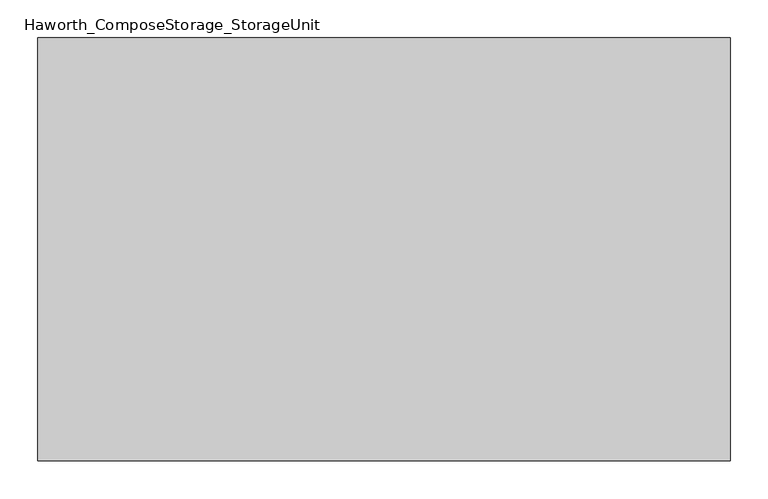
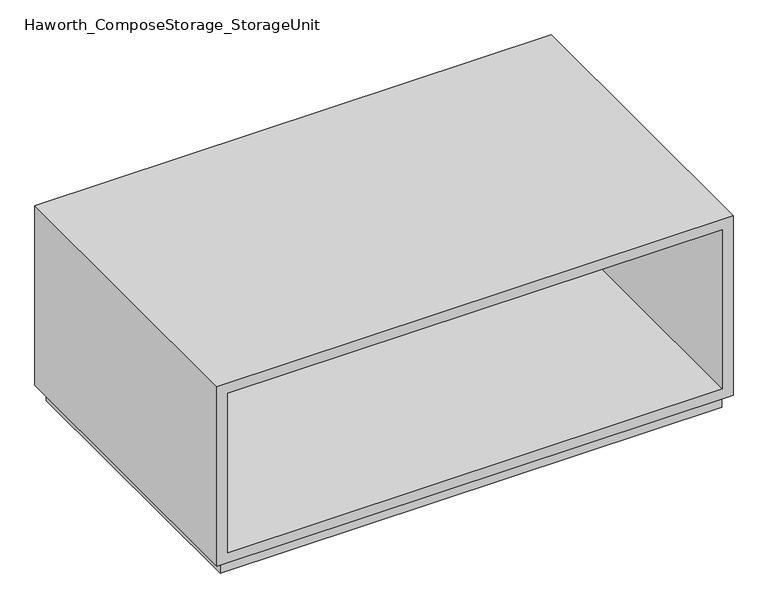
"""IFC4 building model written with IfcOpenShell, lengths in millimetres: furniture geometry, Haworth_ComposeStorage_StorageUnit."""

from ifc_helpers import new_model, si_unit, frame, origin, origin_with_axes, place, context, project, spatial, polyline, outline, extrude, source, transform, mapped, element, save


def haworth_composestorage_storageunit_ed4eaafa(model_context):
    return source(origin(), model_context, "Body", "SweptSolid", [
        extrude(outline(polyline([(25.4, -457.1861094), (25.4, 457.2138906), (361.95, 457.2138906), (361.95, -457.1861094), (25.4, -457.1861094)]), holes=[polyline([(44.45, -438.1361094), (342.9, -438.1361094), (342.9, 438.1569453), (44.45, 438.1569453), (44.45, -438.1361094)])]), frame((0.0, -228.6, 0.0), z_axis=(0.0, 1.0, 0.0), x_axis=(0.0, 0.0, 1.0)), (0.0, 0.0, 1.0), 558.8),
        extrude(outline(polyline([(-438.1291641, 295.275), (-438.1291641, 304.8), (438.1569453, 304.8), (438.1569453, 295.275), (-438.1291641, 295.275)])), frame((0.0, 0.0, 44.45), z_axis=(0.0, 0.0, 1.0), x_axis=(1.0, 0.0, 0.0)), (0.0, 0.0, 1.0), 298.45),
        extrude(outline(polyline([(444.5138906, -215.9), (-444.4861094, -215.9), (-444.4861094, 317.5), (444.5138906, 317.5), (444.5138906, -215.9)])), origin_with_axes(), (0.0, 0.0, 1.0), 25.4),
    ])


if __name__ == "__main__":
    model = new_model("IFC4")
    model_context = context("Model", 3, world=origin())
    ifc_project = project(units=[si_unit("LENGTHUNIT", "METRE", prefix="MILLI")], contexts=[model_context])
    site = spatial("IfcSite", under=ifc_project)
    building = spatial("IfcBuilding", under=site)
    placement = place(None, origin())
    haworth_composestorage_storageunit_shape = haworth_composestorage_storageunit_ed4eaafa(model_context)
    element("IfcFurniture", 1, ObjectType="Haworth_ComposeStorage_StorageUnit", at=placement, inside=building, context=model_context, shape_type="MappedRepresentation", body=[
        mapped(haworth_composestorage_storageunit_shape, transform((0.0, 0.0, 0.0), x_axis=(1.0, 0.0, 0.0), y_axis=(0.0, 1.0, 0.0), z_axis=(0.0, 0.0, 1.0))),
    ])
    save(model, "model.ifc")
